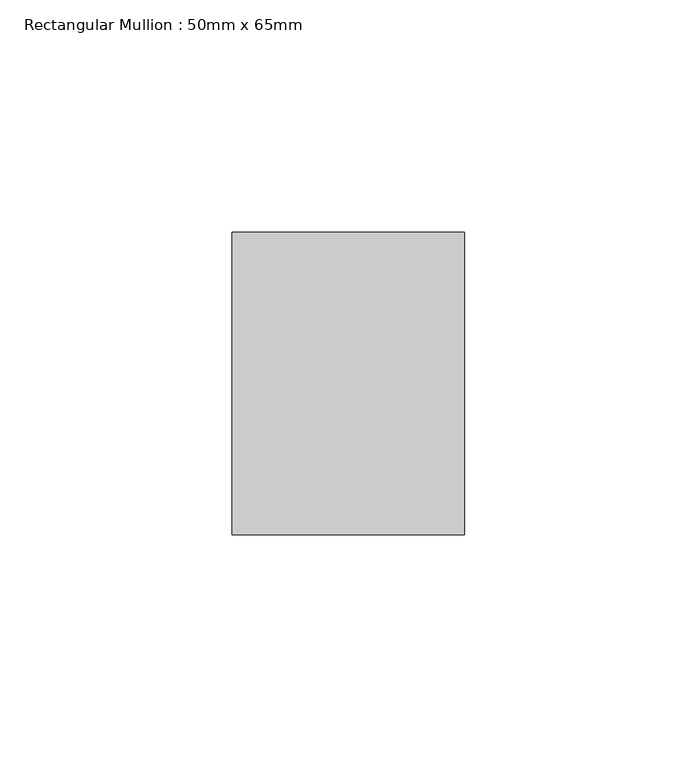
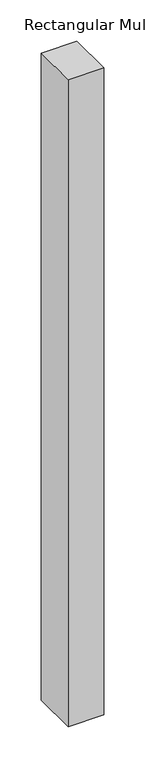
"""IFC4 building model written with IfcOpenShell, lengths in millimetres: member geometry, Rectangular Mullion : 50mm x 65mm."""

from ifc_helpers import new_model, si_unit, frame, origin, place, context, project, spatial, polyline, outline, extrude, source, transform, mapped, element, save


def rectangular_mullion_50mm_x_65mm_5a609bac(model_context):
    return source(origin(), model_context, "Body", "SweptSolid", [
        extrude(outline(polyline([(25.0, 32.5), (25.0, -32.5), (-25.0, -32.5), (-25.0, 32.5), (25.0, 32.5)])), frame((0.0, 0.0, -957.7641728), z_axis=(0.0, 0.0, 1.0), x_axis=(1.0, 0.0, 0.0)), (0.0, 0.0, 1.0), 957.7641728),
    ])


if __name__ == "__main__":
    model = new_model("IFC4")
    model_context = context("Model", 3, world=origin())
    ifc_project = project(units=[si_unit("LENGTHUNIT", "METRE", prefix="MILLI")], contexts=[model_context])
    site = spatial("IfcSite", under=ifc_project)
    building = spatial("IfcBuilding", under=site)
    placement = place(None, origin())
    rectangular_mullion_50mm_x_65mm_shape = rectangular_mullion_50mm_x_65mm_5a609bac(model_context)
    element("IfcMember", 1, ObjectType="Rectangular Mullion : 50mm x 65mm", at=placement, inside=building, context=model_context, shape_type="MappedRepresentation", body=[
        mapped(rectangular_mullion_50mm_x_65mm_shape, transform((0.0, 0.0, 0.0), x_axis=(1.0, 0.0, 0.0), y_axis=(0.0, 1.0, 0.0), z_axis=(0.0, 0.0, 1.0))),
    ])
    save(model, "model.ifc")
